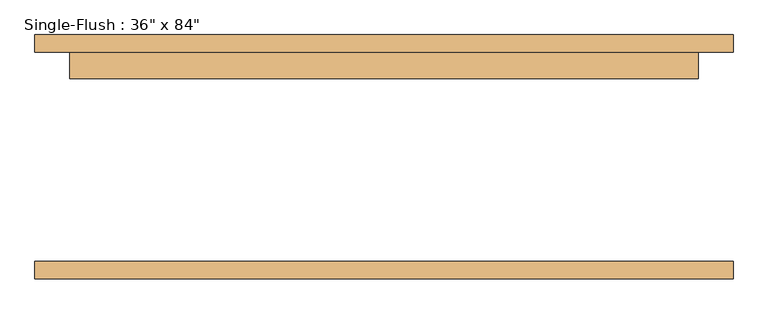
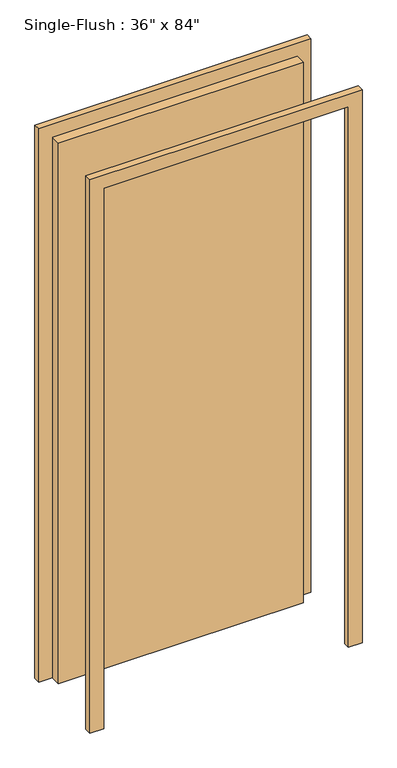
"""IFC4 building model written with IfcOpenShell, lengths in millimetres: door geometry."""

from ifc_helpers import new_model, si_unit, frame, origin, origin_with_axes, place, context, project, spatial, polyline, outline, extrude, source, transform, mapped, element, save


def door_ee064a59(model_context):
    return source(origin(), model_context, "Body", "SweptSolid", [
        extrude(outline(polyline([(457.2, 114.3), (-457.2, 114.3), (-457.2, 152.4), (457.2, 152.4), (457.2, 114.3)])), origin_with_axes(), (0.0, 0.0, 1.0), 2133.6),
        extrude(outline(polyline([(2184.4, -508.0), (0.0, -508.0), (0.0, -457.2), (2133.6, -457.2), (2133.6, 457.2), (0.0, 457.2), (0.0, 508.0), (2184.4, 508.0), (2184.4, -508.0)])), frame((0.0, 152.4, 0.0), z_axis=(0.0, 1.0, 0.0), x_axis=(0.0, 0.0, 1.0)), (0.0, 0.0, 1.0), 25.4),
        extrude(outline(polyline([(2184.4, 508.0), (2184.4, -508.0), (0.0, -508.0), (0.0, -457.2), (2133.6, -457.2), (2133.6, 457.2), (0.0, 457.2), (0.0, 508.0), (2184.4, 508.0)])), frame((0.0, -177.8, 0.0), z_axis=(0.0, 1.0, 0.0), x_axis=(0.0, 0.0, 1.0)), (0.0, 0.0, 1.0), 25.4),
    ])


if __name__ == "__main__":
    model = new_model("IFC4")
    model_context = context("Model", 3, world=origin())
    ifc_project = project(units=[si_unit("LENGTHUNIT", "METRE", prefix="MILLI")], contexts=[model_context])
    site = spatial("IfcSite", under=ifc_project)
    building = spatial("IfcBuilding", under=site)
    placement = place(None, origin())
    door_shape = door_ee064a59(model_context)
    element("IfcDoor", 1, ObjectType="Single-Flush : 36\" x 84\"", at=placement, inside=building, context=model_context, shape_type="MappedRepresentation", body=[
        mapped(door_shape, transform((0.0, 0.0, 0.0), x_axis=(1.0, 0.0, 0.0), y_axis=(0.0, 1.0, 0.0), z_axis=(0.0, 0.0, 1.0))),
    ])
    save(model, "model.ifc")
